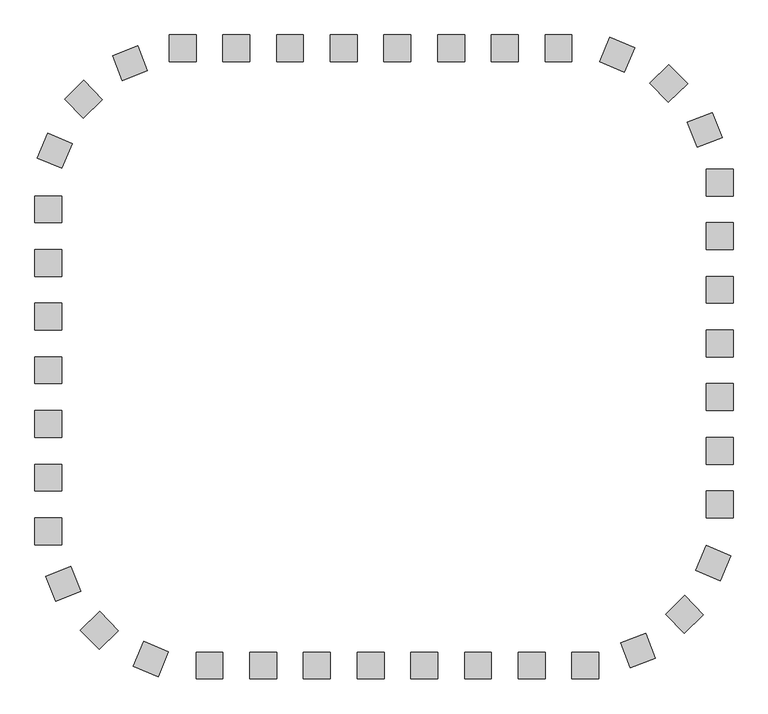
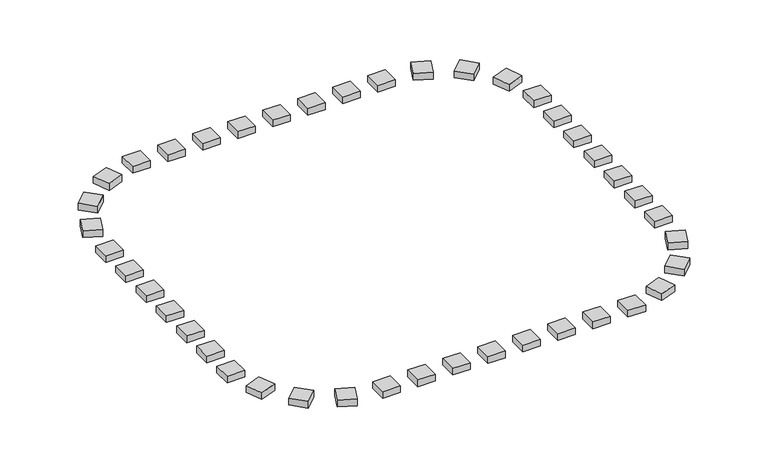
"""IFC4 building model written with IfcOpenShell, lengths in millimetres: railing geometry."""

from ifc_helpers import new_model, si_unit, origin, origin_with_axes, place, context, project, spatial, polyline, outline, extrude, source, transform, mapped, element, save


def railing_8406c222(model_context):
    return source(origin(), model_context, "Body", "SweptSolid", [
        extrude(outline(polyline([(-10457.9798567, 21987.3166341), (-10457.9798567, 21487.3166341), (-10957.9798567, 21487.3166341), (-10957.9798567, 21987.3166341), (-10457.9798567, 21987.3166341)])), origin_with_axes(), (0.0, 0.0, 1.0), 200.0),
        extrude(outline(polyline([(-11457.9798567, 21987.3166341), (-11457.9798567, 21487.3166341), (-11957.9798567, 21487.3166341), (-11957.9798567, 21987.3166341), (-11457.9798567, 21987.3166341)])), origin_with_axes(), (0.0, 0.0, 1.0), 200.0),
        extrude(outline(polyline([(-12457.9798567, 21987.3166341), (-12457.9798567, 21487.3166341), (-12957.9798567, 21487.3166341), (-12957.9798567, 21987.3166341), (-12457.9798567, 21987.3166341)])), origin_with_axes(), (0.0, 0.0, 1.0), 200.0),
        extrude(outline(polyline([(-13457.9798567, 21987.3166341), (-13457.9798567, 21487.3166341), (-13957.9798567, 21487.3166341), (-13957.9798567, 21987.3166341), (-13457.9798567, 21987.3166341)])), origin_with_axes(), (0.0, 0.0, 1.0), 200.0),
        extrude(outline(polyline([(-14457.9798567, 21987.3166341), (-14457.9798567, 21487.3166341), (-14957.9798567, 21487.3166341), (-14957.9798567, 21987.3166341), (-14457.9798567, 21987.3166341)])), origin_with_axes(), (0.0, 0.0, 1.0), 200.0),
        extrude(outline(polyline([(-15457.9798567, 21987.3166341), (-15457.9798567, 21487.3166341), (-15957.9798567, 21487.3166341), (-15957.9798567, 21987.3166341), (-15457.9798567, 21987.3166341)])), origin_with_axes(), (0.0, 0.0, 1.0), 200.0),
        extrude(outline(polyline([(-17545.0531201, 21783.433892), (-17363.8742429, 21317.4143491), (-17829.8937858, 21136.2354718), (-18011.0726631, 21602.2550148), (-17545.0531201, 21783.433892)])), origin_with_axes(), (0.0, 0.0, 1.0), 200.0),
        extrude(outline(polyline([(-18548.0999847, 21139.3849068), (-18199.74663, 20780.7068614), (-18558.4246755, 20432.3535067), (-18906.7780302, 20791.0315522), (-18548.0999847, 21139.3849068)])), origin_with_axes(), (0.0, 0.0, 1.0), 200.0),
        extrude(outline(polyline([(-19221.1628387, 20155.5716611), (-18760.6323417, 19960.8624899), (-18955.3415128, 19500.3319929), (-19415.8720098, 19695.0411641), (-19221.1628387, 20155.5716611)])), origin_with_axes(), (0.0, 0.0, 1.0), 200.0),
        extrude(outline(polyline([(-19457.9798567, 17987.3166341), (-18957.9798567, 17987.3166341), (-18957.9798567, 17487.3166341), (-19457.9798567, 17487.3166341), (-19457.9798567, 17987.3166341)])), origin_with_axes(), (0.0, 0.0, 1.0), 200.0),
        extrude(outline(polyline([(-19457.9798567, 16987.3166341), (-18957.9798567, 16987.3166341), (-18957.9798567, 16487.3166341), (-19457.9798567, 16487.3166341), (-19457.9798567, 16987.3166341)])), origin_with_axes(), (0.0, 0.0, 1.0), 200.0),
        extrude(outline(polyline([(-19457.9798567, 15987.3166341), (-18957.9798567, 15987.3166341), (-18957.9798567, 15487.3166341), (-19457.9798567, 15487.3166341), (-19457.9798567, 15987.3166341)])), origin_with_axes(), (0.0, 0.0, 1.0), 200.0),
        extrude(outline(polyline([(-19457.9798567, 14987.3166341), (-18957.9798567, 14987.3166341), (-18957.9798567, 14487.3166341), (-19457.9798567, 14487.3166341), (-19457.9798567, 14987.3166341)])), origin_with_axes(), (0.0, 0.0, 1.0), 200.0),
        extrude(outline(polyline([(-19457.9798567, 13987.3166341), (-18957.9798567, 13987.3166341), (-18957.9798567, 13487.3166341), (-19457.9798567, 13487.3166341), (-19457.9798567, 13987.3166341)])), origin_with_axes(), (0.0, 0.0, 1.0), 200.0),
        extrude(outline(polyline([(-19254.0971146, 11900.2433707), (-18788.0775716, 12081.4222479), (-18606.8986944, 11615.402705), (-19072.9182373, 11434.2238277), (-19254.0971146, 11900.2433707)])), origin_with_axes(), (0.0, 0.0, 1.0), 200.0),
        extrude(outline(polyline([(-18610.0481294, 10897.1965061), (-18251.3700839, 11245.5498608), (-17903.0167292, 10886.8718153), (-18261.6947747, 10538.5184606), (-18610.0481294, 10897.1965061)])), origin_with_axes(), (0.0, 0.0, 1.0), 200.0),
        extrude(outline(polyline([(-17626.2348836, 10224.1336521), (-17431.5257124, 10684.6641491), (-16970.9952154, 10489.954978), (-17165.7043866, 10029.424481), (-17626.2348836, 10224.1336521)])), origin_with_axes(), (0.0, 0.0, 1.0), 200.0),
        extrude(outline(polyline([(-15457.9798567, 9987.3166341), (-15457.9798567, 10487.3166341), (-14957.9798567, 10487.3166341), (-14957.9798567, 9987.3166341), (-15457.9798567, 9987.3166341)])), origin_with_axes(), (0.0, 0.0, 1.0), 200.0),
        extrude(outline(polyline([(-14457.9798567, 9987.3166341), (-14457.9798567, 10487.3166341), (-13957.9798567, 10487.3166341), (-13957.9798567, 9987.3166341), (-14457.9798567, 9987.3166341)])), origin_with_axes(), (0.0, 0.0, 1.0), 200.0),
        extrude(outline(polyline([(-13457.9798567, 9987.3166341), (-13457.9798567, 10487.3166341), (-12957.9798567, 10487.3166341), (-12957.9798567, 9987.3166341), (-13457.9798567, 9987.3166341)])), origin_with_axes(), (0.0, 0.0, 1.0), 200.0),
        extrude(outline(polyline([(-12457.9798567, 9987.3166341), (-12457.9798567, 10487.3166341), (-11957.9798567, 10487.3166341), (-11957.9798567, 9987.3166341), (-12457.9798567, 9987.3166341)])), origin_with_axes(), (0.0, 0.0, 1.0), 200.0),
        extrude(outline(polyline([(-11457.9798567, 9987.3166341), (-11457.9798567, 10487.3166341), (-10957.9798567, 10487.3166341), (-10957.9798567, 9987.3166341), (-11457.9798567, 9987.3166341)])), origin_with_axes(), (0.0, 0.0, 1.0), 200.0),
        extrude(outline(polyline([(-10457.9798567, 9987.3166341), (-10457.9798567, 10487.3166341), (-9957.9798567, 10487.3166341), (-9957.9798567, 9987.3166341), (-10457.9798567, 9987.3166341)])), origin_with_axes(), (0.0, 0.0, 1.0), 200.0),
        extrude(outline(polyline([(-8370.9065932, 10191.1993762), (-8552.0854705, 10657.2189192), (-8086.0659275, 10838.3977965), (-7904.8870503, 10372.3782535), (-8370.9065932, 10191.1993762)])), origin_with_axes(), (0.0, 0.0, 1.0), 200.0),
        extrude(outline(polyline([(-7367.8597286, 10835.2483614), (-7716.2130833, 11193.9264069), (-7357.5350379, 11542.2797616), (-7009.1816832, 11183.6017161), (-7367.8597286, 10835.2483614)])), origin_with_axes(), (0.0, 0.0, 1.0), 200.0),
        extrude(outline(polyline([(-6694.7968747, 11819.0616072), (-7155.3273717, 12013.7707784), (-6960.6182005, 12474.3012754), (-6500.0877035, 12279.5921042), (-6694.7968747, 11819.0616072)])), origin_with_axes(), (0.0, 0.0, 1.0), 200.0),
        extrude(outline(polyline([(-6457.9798567, 13987.3166341), (-6957.9798567, 13987.3166341), (-6957.9798567, 14487.3166341), (-6457.9798567, 14487.3166341), (-6457.9798567, 13987.3166341)])), origin_with_axes(), (0.0, 0.0, 1.0), 200.0),
        extrude(outline(polyline([(-6457.9798567, 14987.3166341), (-6957.9798567, 14987.3166341), (-6957.9798567, 15487.3166341), (-6457.9798567, 15487.3166341), (-6457.9798567, 14987.3166341)])), origin_with_axes(), (0.0, 0.0, 1.0), 200.0),
        extrude(outline(polyline([(-6457.9798567, 15987.3166341), (-6957.9798567, 15987.3166341), (-6957.9798567, 16487.3166341), (-6457.9798567, 16487.3166341), (-6457.9798567, 15987.3166341)])), origin_with_axes(), (0.0, 0.0, 1.0), 200.0),
        extrude(outline(polyline([(-6457.9798567, 16987.3166341), (-6957.9798567, 16987.3166341), (-6957.9798567, 17487.3166341), (-6457.9798567, 17487.3166341), (-6457.9798567, 16987.3166341)])), origin_with_axes(), (0.0, 0.0, 1.0), 200.0),
        extrude(outline(polyline([(-6457.9798567, 17987.3166341), (-6957.9798567, 17987.3166341), (-6957.9798567, 18487.3166341), (-6457.9798567, 18487.3166341), (-6457.9798567, 17987.3166341)])), origin_with_axes(), (0.0, 0.0, 1.0), 200.0),
        extrude(outline(polyline([(-6661.8625988, 20074.3898976), (-7127.8821418, 19893.2110203), (-7309.061019, 20359.2305633), (-6843.041476, 20540.4094406), (-6661.8625988, 20074.3898976)])), origin_with_axes(), (0.0, 0.0, 1.0), 200.0),
        extrude(outline(polyline([(-7305.911584, 21077.4367622), (-7664.5896294, 20729.0834075), (-8012.9429841, 21087.761453), (-7654.2649386, 21436.1148076), (-7305.911584, 21077.4367622)])), origin_with_axes(), (0.0, 0.0, 1.0), 200.0),
        extrude(outline(polyline([(-8289.7248297, 21750.4996161), (-8484.4340009, 21289.9691191), (-8944.9644979, 21484.6782903), (-8750.2553267, 21945.2087873), (-8289.7248297, 21750.4996161)])), origin_with_axes(), (0.0, 0.0, 1.0), 200.0),
        extrude(outline(polyline([(-9457.9798567, 21987.3166341), (-9457.9798567, 21487.3166341), (-9957.9798567, 21487.3166341), (-9957.9798567, 21987.3166341), (-9457.9798567, 21987.3166341)])), origin_with_axes(), (0.0, 0.0, 1.0), 200.0),
        extrude(outline(polyline([(-16457.9798567, 21987.3166341), (-16457.9798567, 21487.3166341), (-16957.9798567, 21487.3166341), (-16957.9798567, 21987.3166341), (-16457.9798567, 21987.3166341)])), origin_with_axes(), (0.0, 0.0, 1.0), 200.0),
        extrude(outline(polyline([(-19457.9798567, 18987.3166341), (-18957.9798567, 18987.3166341), (-18957.9798567, 18487.3166341), (-19457.9798567, 18487.3166341), (-19457.9798567, 18987.3166341)])), origin_with_axes(), (0.0, 0.0, 1.0), 200.0),
        extrude(outline(polyline([(-19457.9798567, 12987.3166341), (-18957.9798567, 12987.3166341), (-18957.9798567, 12487.3166341), (-19457.9798567, 12487.3166341), (-19457.9798567, 12987.3166341)])), origin_with_axes(), (0.0, 0.0, 1.0), 200.0),
        extrude(outline(polyline([(-16457.9798567, 9987.3166341), (-16457.9798567, 10487.3166341), (-15957.9798567, 10487.3166341), (-15957.9798567, 9987.3166341), (-16457.9798567, 9987.3166341)])), origin_with_axes(), (0.0, 0.0, 1.0), 200.0),
        extrude(outline(polyline([(-9457.9798567, 9987.3166341), (-9457.9798567, 10487.3166341), (-8957.9798567, 10487.3166341), (-8957.9798567, 9987.3166341), (-9457.9798567, 9987.3166341)])), origin_with_axes(), (0.0, 0.0, 1.0), 200.0),
        extrude(outline(polyline([(-6457.9798567, 12987.3166341), (-6957.9798567, 12987.3166341), (-6957.9798567, 13487.3166341), (-6457.9798567, 13487.3166341), (-6457.9798567, 12987.3166341)])), origin_with_axes(), (0.0, 0.0, 1.0), 200.0),
        extrude(outline(polyline([(-6457.9798567, 18987.3166341), (-6957.9798567, 18987.3166341), (-6957.9798567, 19487.3166341), (-6457.9798567, 19487.3166341), (-6457.9798567, 18987.3166341)])), origin_with_axes(), (0.0, 0.0, 1.0), 200.0),
    ])


if __name__ == "__main__":
    model = new_model("IFC4")
    model_context = context("Model", 3, world=origin())
    ifc_project = project(units=[si_unit("LENGTHUNIT", "METRE", prefix="MILLI")], contexts=[model_context])
    site = spatial("IfcSite", under=ifc_project)
    building = spatial("IfcBuilding", under=site)
    placement = place(None, origin())
    railing_shape = railing_8406c222(model_context)
    element("IfcRailing", 1, at=placement, inside=building, context=model_context, shape_type="MappedRepresentation", body=[
        mapped(railing_shape, transform((0.0, 0.0, 0.0), x_axis=(1.0, 0.0, 0.0), y_axis=(0.0, 1.0, 0.0), z_axis=(0.0, 0.0, 1.0))),
    ])
    save(model, "model.ifc")
